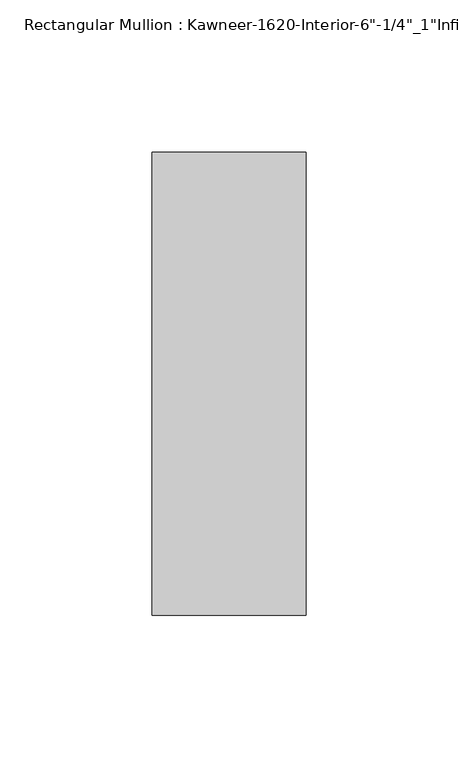
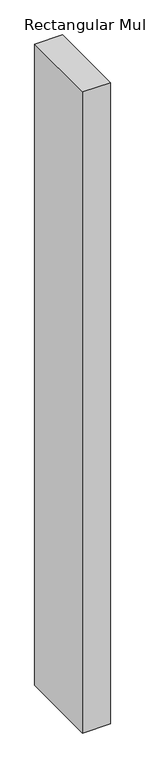
"""IFC4 building model written with IfcOpenShell, lengths in millimetres: member geometry."""

import ifcopenshell
import ifcopenshell.guid

model = None  # the IFC model being written
_history = None  # IfcOwnerHistory: only IFC2X3 demands one
_inside = {}  # id of a spatial element -> (the spatial element, [elements in it])
_under = {}  # id of a project, library or spatial element -> (it, [spatial elements below it])
_declared = {}  # id of a project -> (the project, [libraries it declares])
_typed = {}  # id of a type object -> (the type object, [elements of that type])
_made_of = {}  # id of a material, layer set ... -> (it, [elements and type objects made of it])


def new_model(schema):
    """Start an empty IFC model of exactly this schema.

    Asked for "IFC4X3", IfcOpenShell would pick the latest addendum, in which some entities
    have other attributes; the version numbers below select the first issue.
    IFC2X3 requires an IfcOwnerHistory on every rooted entity: one is made here for all.
    """
    global model, _history
    if schema == "IFC4X3":
        model = ifcopenshell.file(schema_version=(4, 3, 0, 0))
    else:
        model = ifcopenshell.file(schema=schema)
    _inside.clear()
    _under.clear()
    _declared.clear()
    _typed.clear()
    _made_of.clear()
    _history = None
    if model.schema == "IFC2X3":
        org = make("IfcOrganization", Name="unknown")
        user = make(
            "IfcPersonAndOrganization",
            ThePerson=make("IfcPerson", FamilyName="unknown"),
            TheOrganization=org,
        )
        app = make(
            "IfcApplication",
            ApplicationDeveloper=org,
            Version="unknown",
            ApplicationFullName="unknown",
            ApplicationIdentifier="unknown",
        )
        _history = make(
            "IfcOwnerHistory",
            OwningUser=user,
            OwningApplication=app,
            ChangeAction="ADDED",
            CreationDate=0,
        )
    return model


def make(cls, **values):
    """One entity of the class cls with the attributes given. An attribute that is None is left unset."""
    return model.create_entity(
        cls, **{name: value for name, value in values.items() if value is not None}
    )


def rooted(cls, **values):
    """An entity with a GlobalId (a new one), such as an element, a storey or a relation."""
    return make(cls, GlobalId=ifcopenshell.guid.new(), OwnerHistory=_history, **values)


def si_unit(unit_type, name, prefix=None):
    """IfcSIUnit, for example si_unit("LENGTHUNIT", "METRE", prefix="MILLI")."""
    return make("IfcSIUnit", UnitType=unit_type, Prefix=prefix, Name=name)


def assignment(units):
    """IfcUnitAssignment: the units of a project."""
    return None if units is None else make("IfcUnitAssignment", Units=units)


def point(xyz):
    """IfcCartesianPoint."""
    return None if xyz is None else make("IfcCartesianPoint", Coordinates=xyz)


def direction(xyz):
    """IfcDirection."""
    return None if xyz is None else make("IfcDirection", DirectionRatios=xyz)


def frame(location, z_axis=None, x_axis=None):
    """IfcAxis2Placement3D, a coordinate frame: its origin and axes. An axis left out is left unset."""
    return make(
        "IfcAxis2Placement3D",
        Location=point(location),
        Axis=direction(z_axis),
        RefDirection=direction(x_axis),
    )


def origin():
    """The frame at (0, 0, 0) with its axes left unset."""
    return frame((0.0, 0.0, 0.0))


def place(relative_to, where):
    """IfcLocalPlacement: puts the frame where relative to a parent placement (None: the world)."""
    return make(
        "IfcLocalPlacement", PlacementRelTo=relative_to, RelativePlacement=where
    )


def context(
    kind, dimensions, precision=None, world=None, true_north=None, identifier=None
):
    """IfcGeometricRepresentationContext, for example the 3D "Model" context."""
    return make(
        "IfcGeometricRepresentationContext",
        ContextIdentifier=identifier,
        ContextType=kind,
        CoordinateSpaceDimension=dimensions,
        Precision=precision,
        WorldCoordinateSystem=world,
        TrueNorth=true_north,
    )


def project(units=None, contexts=None):
    """IfcProject with its units and contexts."""
    return rooted(
        "IfcProject",
        Name="project",
        RepresentationContexts=contexts,
        UnitsInContext=assignment(units),
    )


def spatial(cls, under=None, at=None, **own):
    """A site, building, storey or space (cls), placed at a placement, below another one or the project."""
    s = rooted(cls, ObjectPlacement=at, **own)
    if under is not None:
        _under.setdefault(under.id(), (under, []))[1].append(s)
    return s


def polyline(points):
    """IfcPolyline through the points."""
    return make("IfcPolyline", Points=[point(p) for p in points])


def outline(outer, holes=None, kind="AREA"):
    """IfcArbitraryClosedProfileDef: a profile drawn as a closed curve; with holes, ...WithVoids."""
    if holes is None:
        return make("IfcArbitraryClosedProfileDef", ProfileType=kind, OuterCurve=outer)
    return make(
        "IfcArbitraryProfileDefWithVoids",
        ProfileType=kind,
        OuterCurve=outer,
        InnerCurves=holes,
    )


def extrude(swept, where, along, depth):
    """IfcExtrudedAreaSolid: the profile swept, set in the frame where, extruded along a direction by depth."""
    return make(
        "IfcExtrudedAreaSolid",
        SweptArea=swept,
        Position=where,
        ExtrudedDirection=direction(along),
        Depth=depth,
    )


def shape(context_of_items, identifier, shape_type, items):
    """IfcShapeRepresentation: the items that make up one representation, for example the "Body"."""
    return make(
        "IfcShapeRepresentation",
        ContextOfItems=context_of_items,
        RepresentationIdentifier=identifier,
        RepresentationType=shape_type,
        Items=items,
    )


def source(mapping_origin, context_of_items, identifier, shape_type, items):
    """IfcRepresentationMap: a shape defined once, which mapped items show again and again."""
    return make(
        "IfcRepresentationMap",
        MappingOrigin=mapping_origin,
        MappedRepresentation=shape(context_of_items, identifier, shape_type, items),
    )


def transform(
    local_origin,
    x_axis=None,
    y_axis=None,
    z_axis=None,
    scale=None,
    scale2=None,
    scale3=None,
    uniform=True,
):
    """IfcCartesianTransformationOperator3D, or its non-uniform kind. x_axis, y_axis, z_axis: its Axis1, 2, 3."""
    if uniform:
        return make(
            "IfcCartesianTransformationOperator3D",
            Axis1=direction(x_axis),
            Axis2=direction(y_axis),
            LocalOrigin=point(local_origin),
            Scale=scale,
            Axis3=direction(z_axis),
        )
    return make(
        "IfcCartesianTransformationOperator3DnonUniform",
        Axis1=direction(x_axis),
        Axis2=direction(y_axis),
        LocalOrigin=point(local_origin),
        Scale=scale,
        Axis3=direction(z_axis),
        Scale2=scale2,
        Scale3=scale3,
    )


def mapped(mapping_source, mapping_target):
    """IfcMappedItem: shows the shape of a source again, moved by a transform."""
    return make(
        "IfcMappedItem", MappingSource=mapping_source, MappingTarget=mapping_target
    )


def made_of(thing, what):
    """Note that an element or type object is made of a material, layer set ...; save() writes the relation."""
    if what is not None:
        _made_of.setdefault(what.id(), (what, []))[1].append(thing)
    return thing


def element(
    cls,
    number,
    at=None,
    inside=None,
    cuts=None,
    type_object=None,
    material=None,
    context=None,
    identifier="Body",
    shape_type=None,
    held_by="IfcProductDefinitionShape",
    body=None,
    shapes=None,
    **own,
):
    """One element of the class cls, such as IfcWall. Its Tag is "e" and its number.

    at: its placement. inside: the storey or other place that contains it. cuts: it is an
    opening in that element (IfcRelVoidsElement). A single representation is given by context,
    identifier, shape_type and body (its items); several are given by shapes. held_by: the class
    of the entity that holds the representations. save() writes the other relations.
    """
    e = rooted(cls, Tag="e%d" % number, ObjectPlacement=at, **own)
    if body is not None:
        shapes = [shape(context, identifier, shape_type, body)]
    if shapes is not None:
        e.Representation = make(held_by, Representations=shapes)
    if inside is not None:
        _inside.setdefault(inside.id(), (inside, []))[1].append(e)
    if cuts is not None:
        rooted(
            "IfcRelVoidsElement", RelatingBuildingElement=cuts, RelatedOpeningElement=e
        )
    if type_object is not None:
        _typed.setdefault(type_object.id(), (type_object, []))[1].append(e)
    return made_of(e, material)


def aggregate(whole, parts):
    """IfcRelAggregates: a whole, such as a stair, and the parts it consists of."""
    return rooted("IfcRelAggregates", RelatingObject=whole, RelatedObjects=parts)


def save(model, path):
    """Write the relations noted so far, then the file.

    IfcRelAggregates (storeys below a building ...), IfcRelContainedInSpatialStructure (elements
    in a storey), IfcRelDefinesByType, IfcRelAssociatesMaterial and IfcRelDeclares: one each for
    every whole, place, type object, material and project.
    """
    for whole, parts in _under.values():
        aggregate(whole, parts)
    for where, things in _inside.values():
        rooted(
            "IfcRelContainedInSpatialStructure",
            RelatedElements=things,
            RelatingStructure=where,
        )
    for kind, things in _typed.values():
        rooted("IfcRelDefinesByType", RelatedObjects=things, RelatingType=kind)
    for what, things in _made_of.values():
        rooted("IfcRelAssociatesMaterial", RelatedObjects=things, RelatingMaterial=what)
    for by, libraries in _declared.values():
        rooted("IfcRelDeclares", RelatingContext=by, RelatedDefinitions=libraries)
    model.write(path)


def member_32400629(model_context):
    return source(origin(), model_context, "Body", "SweptSolid", [
        extrude(outline(polyline([(25.4, -123.825), (-25.4, -123.825), (-25.4, 28.575), (25.4, 28.575), (25.4, -123.825)])), frame((0.0, 0.0, -1244.6), z_axis=(0.0, 0.0, 1.0), x_axis=(1.0, 0.0, 0.0)), (0.0, 0.0, 1.0), 1244.6),
    ])


if __name__ == "__main__":
    model = new_model("IFC4")
    model_context = context("Model", 3, world=origin())
    ifc_project = project(units=[si_unit("LENGTHUNIT", "METRE", prefix="MILLI")], contexts=[model_context])
    site = spatial("IfcSite", under=ifc_project)
    building = spatial("IfcBuilding", under=site)
    placement = place(None, origin())
    member_shape = member_32400629(model_context)
    element("IfcMember", 1, ObjectType="Rectangular Mullion : Kawneer-1620-Interior-6\"-1/4\"_1\"Infill", at=placement, inside=building, context=model_context, shape_type="MappedRepresentation", body=[
        mapped(member_shape, transform((0.0, 0.0, 0.0), x_axis=(1.0, 0.0, 0.0), y_axis=(0.0, 1.0, 0.0), z_axis=(0.0, 0.0, 1.0))),
    ])
    save(model, "model.ifc")
